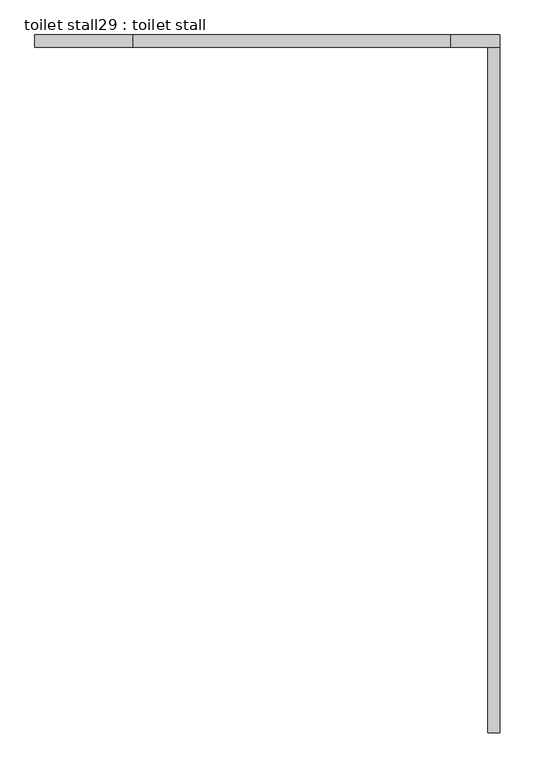
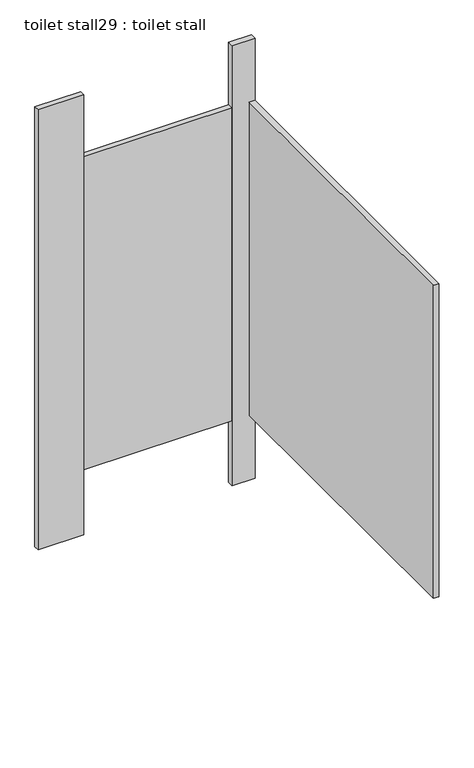
"""IFC4 building model written with IfcOpenShell, lengths in millimetres: proxy geometry, toilet stall29 : toilet stall."""

from ifc_helpers import new_model, si_unit, frame, origin, origin_with_axes, place, context, project, spatial, polyline, outline, extrude, source, transform, mapped, element, save


def toilet_stall29_toilet_stall_3c15b877(model_context):
    return source(origin(), model_context, "Body", "SweptSolid", [
        extrude(outline(polyline([(444382.3129676, -367467.8910885), (444179.1129676, -367467.8910885), (444179.1129676, -367442.4910885), (444382.3129676, -367442.4910885), (444382.3129676, -367467.8910885)])), origin_with_axes(), (0.0, 0.0, 1.0), 2070.1),
        extrude(outline(polyline([(445144.3129676, -367467.8910885), (445042.7129676, -367467.8910885), (445042.7129676, -367442.4910885), (445144.3129676, -367442.4910885), (445144.3129676, -367467.8910885)])), origin_with_axes(), (0.0, 0.0, 1.0), 2070.1),
        extrude(outline(polyline([(445144.3129676, -367467.8910885), (445144.3129676, -368890.2910885), (445118.9129676, -368890.2910885), (445118.9129676, -367467.8910885), (445144.3129676, -367467.8910885)])), frame((0.0, 0.0, 304.8), z_axis=(0.0, 0.0, 1.0), x_axis=(1.0, 0.0, 0.0)), (0.0, 0.0, 1.0), 1473.2),
        extrude(outline(polyline([(445042.7129676, -367467.8910885), (444382.3129676, -367467.8910885), (444382.3129676, -367442.4910885), (445042.7129676, -367442.4910885), (445042.7129676, -367467.8910885)])), frame((0.0, 0.0, 304.8), z_axis=(0.0, 0.0, 1.0), x_axis=(1.0, 0.0, 0.0)), (0.0, 0.0, 1.0), 1473.2),
    ])


if __name__ == "__main__":
    model = new_model("IFC4")
    model_context = context("Model", 3, world=origin())
    ifc_project = project(units=[si_unit("LENGTHUNIT", "METRE", prefix="MILLI")], contexts=[model_context])
    site = spatial("IfcSite", under=ifc_project)
    building = spatial("IfcBuilding", under=site)
    placement = place(None, origin())
    toilet_stall29_toilet_stall_shape = toilet_stall29_toilet_stall_3c15b877(model_context)
    element("IfcBuildingElementProxy", 1, Name="toilet stall29 : toilet stall", ObjectType="toilet stall29 : toilet stall", at=placement, inside=building, context=model_context, shape_type="MappedRepresentation", body=[
        mapped(toilet_stall29_toilet_stall_shape, transform((0.0, 0.0, 0.0), x_axis=(1.0, 0.0, 0.0), y_axis=(0.0, 1.0, 0.0), z_axis=(0.0, 0.0, 1.0))),
    ])
    save(model, "model.ifc")
